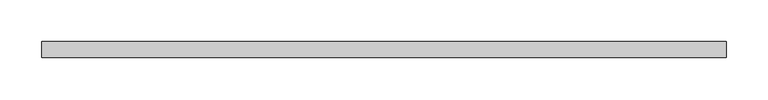
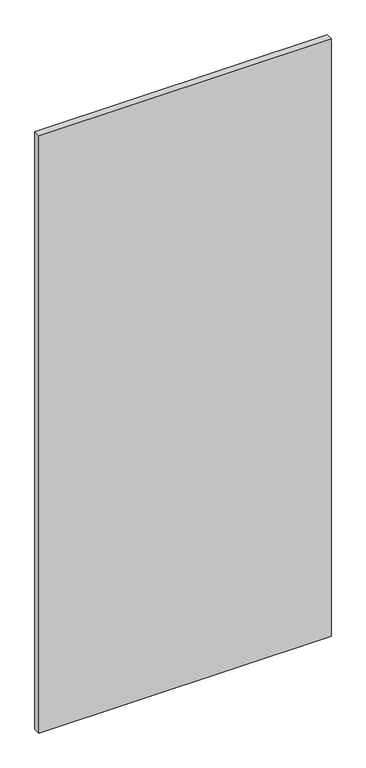
"""IFC4 building model written with IfcOpenShell, lengths in millimetres: plate geometry."""

from ifc_helpers import new_model, si_unit, origin, origin_with_axes, place, context, project, spatial, polyline, outline, extrude, source, transform, mapped, element, save


def plate_1fbf0fd9(model_context):
    return source(origin(), model_context, "Body", "SweptSolid", [
        extrude(outline(polyline([(407.3177176, -9.525), (-407.3177176, -9.525), (-407.3177176, 9.525), (407.3177176, 9.525), (407.3177176, -9.525)])), origin_with_axes(), (0.0, 0.0, 1.0), 1761.3),
    ])


if __name__ == "__main__":
    model = new_model("IFC4")
    model_context = context("Model", 3, world=origin())
    ifc_project = project(units=[si_unit("LENGTHUNIT", "METRE", prefix="MILLI")], contexts=[model_context])
    site = spatial("IfcSite", under=ifc_project)
    building = spatial("IfcBuilding", under=site)
    placement = place(None, origin())
    plate_shape = plate_1fbf0fd9(model_context)
    element("IfcPlate", 1, at=placement, inside=building, context=model_context, shape_type="MappedRepresentation", body=[
        mapped(plate_shape, transform((0.0, 0.0, 0.0), x_axis=(1.0, 0.0, 0.0), y_axis=(0.0, 1.0, 0.0), z_axis=(0.0, 0.0, 1.0))),
    ])
    save(model, "model.ifc")
